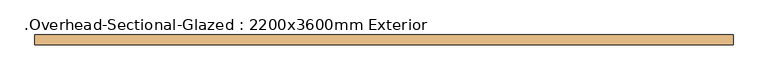
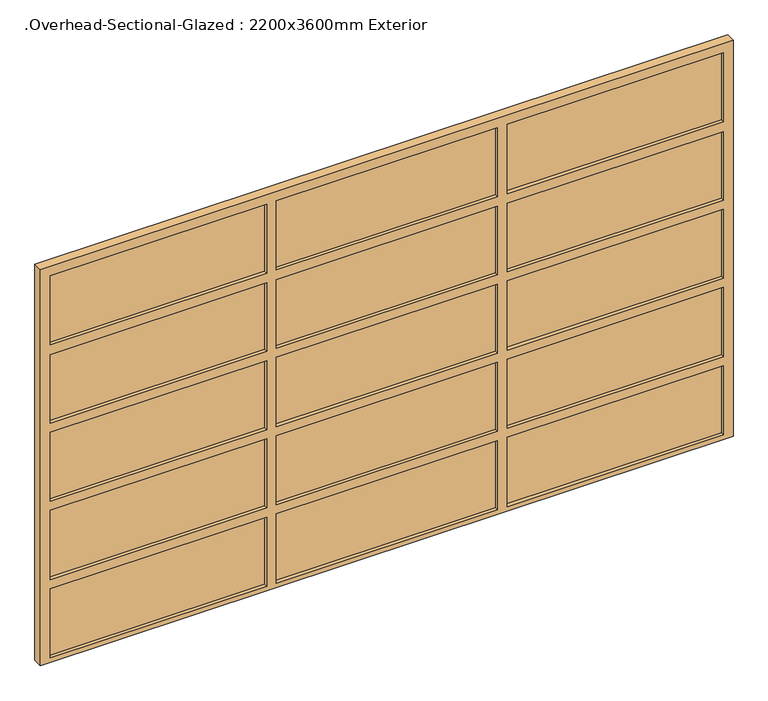
"""IFC4 building model written with IfcOpenShell, lengths in millimetres: door geometry, .Overhead-Sectional-Glazed : 2200x3600mm Exterior."""

from ifc_helpers import new_model, si_unit, frame, origin, place, context, project, spatial, polyline, outline, extrude, source, transform, mapped, element, save


def overhead_sectional_glazed_2200x3600mm_exterior_fd61f1e9(model_context):
    return source(origin(), model_context, "Body", "SweptSolid", [
        extrude(outline(polyline([(625.0, -120.35), (1750.0, -120.35), (1750.0, -132.85), (625.0, -132.85), (625.0, -120.35)])), frame((0.0, 0.0, 885.0), z_axis=(0.0, 0.0, 1.0), x_axis=(1.0, 0.0, 0.0)), (0.0, 0.0, 1.0), 380.0),
        extrude(outline(polyline([(625.0, -120.35), (1750.0, -120.35), (1750.0, -132.85), (625.0, -132.85), (625.0, -120.35)])), frame((0.0, 0.0, 455.0), z_axis=(0.0, 0.0, 1.0), x_axis=(1.0, 0.0, 0.0)), (0.0, 0.0, 1.0), 380.0),
        extrude(outline(polyline([(625.0, -120.35), (1750.0, -120.35), (1750.0, -132.85), (625.0, -132.85), (625.0, -120.35)])), frame((0.0, 0.0, 25.0), z_axis=(0.0, 0.0, 1.0), x_axis=(1.0, 0.0, 0.0)), (0.0, 0.0, 1.0), 380.0),
        extrude(outline(polyline([(-575.0, -120.35), (575.0, -120.35), (575.0, -132.85), (-575.0, -132.85), (-575.0, -120.35)])), frame((0.0, 0.0, 25.0), z_axis=(0.0, 0.0, 1.0), x_axis=(1.0, 0.0, 0.0)), (0.0, 0.0, 1.0), 380.0),
        extrude(outline(polyline([(-575.0, -120.35), (575.0, -120.35), (575.0, -132.85), (-575.0, -132.85), (-575.0, -120.35)])), frame((0.0, 0.0, 455.0), z_axis=(0.0, 0.0, 1.0), x_axis=(1.0, 0.0, 0.0)), (0.0, 0.0, 1.0), 380.0),
        extrude(outline(polyline([(-575.0, -120.35), (575.0, -120.35), (575.0, -132.85), (-575.0, -132.85), (-575.0, -120.35)])), frame((0.0, 0.0, 885.0), z_axis=(0.0, 0.0, 1.0), x_axis=(1.0, 0.0, 0.0)), (0.0, 0.0, 1.0), 380.0),
        extrude(outline(polyline([(-1750.0, -120.35), (-625.0, -120.35), (-625.0, -132.85), (-1750.0, -132.85), (-1750.0, -120.35)])), frame((0.0, 0.0, 885.0), z_axis=(0.0, 0.0, 1.0), x_axis=(1.0, 0.0, 0.0)), (0.0, 0.0, 1.0), 380.0),
        extrude(outline(polyline([(-1750.0, -120.35), (-625.0, -120.35), (-625.0, -132.85), (-1750.0, -132.85), (-1750.0, -120.35)])), frame((0.0, 0.0, 455.0), z_axis=(0.0, 0.0, 1.0), x_axis=(1.0, 0.0, 0.0)), (0.0, 0.0, 1.0), 380.0),
        extrude(outline(polyline([(-1750.0, -120.35), (-625.0, -120.35), (-625.0, -132.85), (-1750.0, -132.85), (-1750.0, -120.35)])), frame((0.0, 0.0, 25.0), z_axis=(0.0, 0.0, 1.0), x_axis=(1.0, 0.0, 0.0)), (0.0, 0.0, 1.0), 380.0),
        extrude(outline(polyline([(625.0, -120.35), (1750.0, -120.35), (1750.0, -132.85), (625.0, -132.85), (625.0, -120.35)])), frame((0.0, 0.0, 1745.0), z_axis=(0.0, 0.0, 1.0), x_axis=(1.0, 0.0, 0.0)), (0.0, 0.0, 1.0), 380.0),
        extrude(outline(polyline([(625.0, -120.35), (1750.0, -120.35), (1750.0, -132.85), (625.0, -132.85), (625.0, -120.35)])), frame((0.0, 0.0, 1315.0), z_axis=(0.0, 0.0, 1.0), x_axis=(1.0, 0.0, 0.0)), (0.0, 0.0, 1.0), 376.375212),
        extrude(outline(polyline([(-575.0, -120.35), (575.0, -120.35), (575.0, -132.85), (-575.0, -132.85), (-575.0, -120.35)])), frame((0.0, 0.0, 1315.0), z_axis=(0.0, 0.0, 1.0), x_axis=(1.0, 0.0, 0.0)), (0.0, 0.0, 1.0), 376.375212),
        extrude(outline(polyline([(-575.0, -120.35), (575.0, -120.35), (575.0, -132.85), (-575.0, -132.85), (-575.0, -120.35)])), frame((0.0, 0.0, 1745.0), z_axis=(0.0, 0.0, 1.0), x_axis=(1.0, 0.0, 0.0)), (0.0, 0.0, 1.0), 380.0),
        extrude(outline(polyline([(-1750.0, -120.35), (-625.0, -120.35), (-625.0, -132.85), (-1750.0, -132.85), (-1750.0, -120.35)])), frame((0.0, 0.0, 1745.0), z_axis=(0.0, 0.0, 1.0), x_axis=(1.0, 0.0, 0.0)), (0.0, 0.0, 1.0), 380.0),
        extrude(outline(polyline([(-1750.0, -120.35), (-625.0, -120.35), (-625.0, -132.85), (-1750.0, -132.85), (-1750.0, -120.35)])), frame((0.0, 0.0, 1315.0), z_axis=(0.0, 0.0, 1.0), x_axis=(1.0, 0.0, 0.0)), (0.0, 0.0, 1.0), 376.375212),
        extrude(outline(polyline([(2175.0, 1800.0), (2175.0, -1800.0), (0.0, -1800.0), (0.0, 1800.0), (2175.0, 1800.0)]), holes=[polyline([(835.0, -625.0), (455.0, -625.0), (455.0, -1750.0), (835.0, -1750.0), (835.0, -625.0)]), polyline([(405.0, -625.0), (25.0, -625.0), (25.0, -1750.0), (405.0, -1750.0), (405.0, -625.0)]), polyline([(835.0, 625.0), (835.0, 1750.0), (455.0, 1750.0), (455.0, 625.0), (835.0, 625.0)]), polyline([(405.0, 625.0), (405.0, 1750.0), (25.0, 1750.0), (25.0, 625.0), (405.0, 625.0)]), polyline([(835.0, -575.0), (835.0, 575.0), (455.0, 575.0), (455.0, -575.0), (835.0, -575.0)]), polyline([(405.0, -575.0), (405.0, 575.0), (25.0, 575.0), (25.0, -575.0), (405.0, -575.0)]), polyline([(1691.375212, -625.0), (1315.0, -625.0), (1315.0, -1750.0), (1691.375212, -1750.0), (1691.375212, -625.0)]), polyline([(1691.375212, -575.0), (1691.375212, 575.0), (1315.0, 575.0), (1315.0, -575.0), (1691.375212, -575.0)]), polyline([(1691.375212, 625.0), (1691.375212, 1750.0), (1315.0, 1750.0), (1315.0, 625.0), (1691.375212, 625.0)]), polyline([(2125.0, -625.0), (1745.0, -625.0), (1745.0, -1750.0), (2125.0, -1750.0), (2125.0, -625.0)]), polyline([(2125.0, 625.0), (2125.0, 1750.0), (1745.0, 1750.0), (1745.0, 625.0), (2125.0, 625.0)]), polyline([(2125.0, -575.0), (2125.0, 575.0), (1745.0, 575.0), (1745.0, -575.0), (2125.0, -575.0)]), polyline([(1265.0, -625.0), (885.0, -625.0), (885.0, -1750.0), (1265.0, -1750.0), (1265.0, -625.0)]), polyline([(1265.0, 625.0), (1265.0, 1750.0), (885.0, 1750.0), (885.0, 625.0), (1265.0, 625.0)]), polyline([(1265.0, -575.0), (1265.0, 575.0), (885.0, 575.0), (885.0, -575.0), (1265.0, -575.0)])]), frame((0.0, -151.6, 0.0), z_axis=(0.0, 1.0, 0.0), x_axis=(0.0, 0.0, 1.0)), (0.0, 0.0, 1.0), 50.0),
    ])


if __name__ == "__main__":
    model = new_model("IFC4")
    model_context = context("Model", 3, world=origin())
    ifc_project = project(units=[si_unit("LENGTHUNIT", "METRE", prefix="MILLI")], contexts=[model_context])
    site = spatial("IfcSite", under=ifc_project)
    building = spatial("IfcBuilding", under=site)
    placement = place(None, origin())
    overhead_sectional_glazed_2200x3600mm_exterior_shape = overhead_sectional_glazed_2200x3600mm_exterior_fd61f1e9(model_context)
    element("IfcDoor", 1, ObjectType=".Overhead-Sectional-Glazed : 2200x3600mm Exterior", at=placement, inside=building, context=model_context, shape_type="MappedRepresentation", body=[
        mapped(overhead_sectional_glazed_2200x3600mm_exterior_shape, transform((0.0, 0.0, 0.0), x_axis=(1.0, 0.0, 0.0), y_axis=(0.0, 1.0, 0.0), z_axis=(0.0, 0.0, 1.0))),
    ])
    save(model, "model.ifc")
